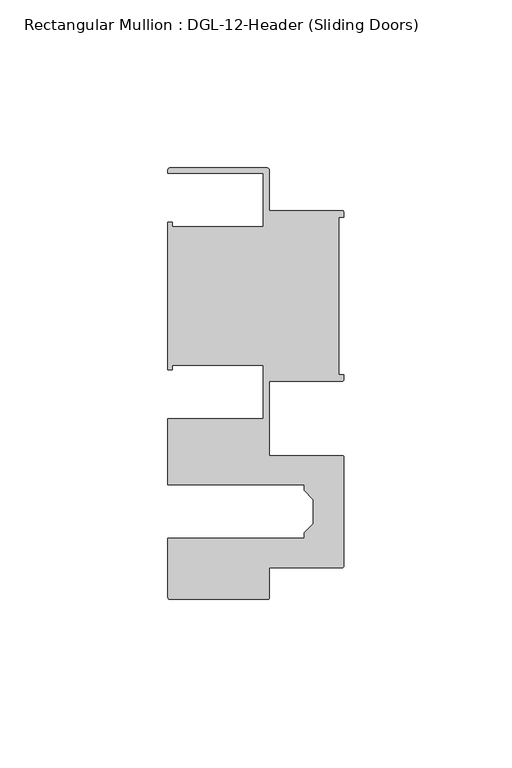
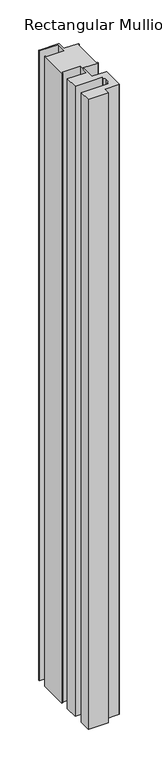
"""IFC4 building model written with IfcOpenShell, lengths in millimetres: member geometry, Rectangular Mullion : DGL-12-Header (Sliding Doors)."""

from ifc_helpers import new_model, si_unit, point, frame, frame_2d, origin, place, context, project, spatial, polyline, circle_curve, trimmed, segment, composite_curve, outline, extrude, source, transform, mapped, element, save


def rectangular_mullion_dgl_12_header_sliding_doors_77d7a6cd(model_context):
    return source(origin(), model_context, "Body", "SweptSolid", [
        extrude(outline(composite_curve([segment(trimmed(circle_curve(frame_2d((-0.5953125, 24.8046875)), 0.5953125), [point((-0.5953125, 25.4))], [point((0.0, 24.8046875))], False, "CARTESIAN"), True, "CONTINUOUS"), segment(polyline([(0.0, 24.8046875), (0.0, 23.488176), (-1.5001875, 23.488176), (-1.5001875, -23.488176), (0.0, -23.488176), (0.0, -24.8046875)]), True, "CONTINUOUS"), segment(trimmed(circle_curve(frame_2d((-0.5953125, -24.8046875)), 0.5953125), [point((0.0, -24.8046875))], [point((-0.5953125, -25.4))], False, "CARTESIAN"), True, "CONTINUOUS"), segment(polyline([(-0.5953125, -25.4), (-22.2332898, -25.4), (-22.2332898, -47.513352), (-0.60357, -47.513352)]), True, "CONTINUOUS"), segment(trimmed(circle_curve(frame_2d((-0.60357, -48.1086645)), 0.5953125), [point((-0.60357, -47.513352))], [point((-0.0082575, -48.1086645))], False, "CARTESIAN"), True, "CONTINUOUS"), segment(polyline([(-0.0082575, -48.1086645), (-0.0082575, -80.2801715)]), True, "CONTINUOUS"), segment(trimmed(circle_curve(frame_2d((-0.60357, -80.2801715)), 0.5953125), [point((-0.0082575, -80.2801715))], [point((-0.60357, -80.875484))], False, "CARTESIAN"), True, "CONTINUOUS"), segment(polyline([(-0.60357, -80.875484), (-22.2032575, -80.875484), (-22.2032575, -89.7299227)]), True, "CONTINUOUS"), segment(trimmed(circle_curve(frame_2d((-22.79857, -89.7299227)), 0.5953125), [point((-22.2032575, -89.7299227))], [point((-22.79857, -90.3252352))], False, "CARTESIAN"), True, "CONTINUOUS"), segment(polyline([(-22.79857, -90.3252352), (-51.7968699, -90.3252352)]), True, "CONTINUOUS"), segment(trimmed(circle_curve(frame_2d((-51.7968699, -89.7299227)), 0.5953125), [point((-51.7968699, -90.3252352))], [point((-52.3921824, -89.7299227))], False, "CARTESIAN"), True, "CONTINUOUS"), segment(polyline([(-52.3921824, -89.7299227), (-52.3921824, -72.175484), (-11.8582575, -72.175484), (-11.8582575, -70.4941892), (-9.1582575, -67.7941892), (-9.1582575, -60.5946468), (-11.8582575, -57.8946468), (-11.8582575, -56.213352), (-52.3921824, -56.213352), (-52.3921824, -36.512516), (-24.0747898, -36.512516), (-24.0747898, -20.5916734), (-51.1362531, -20.5916734), (-51.1362531, -21.9710976), (-52.3921824, -21.9710976), (-52.3921824, 21.9710976), (-51.1362531, 21.9710976), (-51.1362531, 20.5916734), (-24.0747898, 20.5916734), (-24.0747898, 36.512516), (-52.3921824, 36.512516), (-52.3921824, 37.5043667)]), True, "CONTINUOUS"), segment(trimmed(circle_curve(frame_2d((-51.7968699, 37.5043667)), 0.5953125), [point((-52.3921824, 37.5043667))], [point((-51.7968699, 38.0996792))], False, "CARTESIAN"), True, "CONTINUOUS"), segment(polyline([(-51.7968699, 38.0996792), (-22.8286023, 38.0996792)]), True, "CONTINUOUS"), segment(trimmed(circle_curve(frame_2d((-22.8286023, 37.5043667)), 0.5953125), [point((-22.8286023, 38.0996792))], [point((-22.2332898, 37.5043667))], False, "CARTESIAN"), True, "CONTINUOUS"), segment(polyline([(-22.2332898, 37.5043667), (-22.2332898, 25.4), (-0.5953125, 25.4)]), True, "CONTINUOUS")], self_intersect=False)), frame((0.0, 0.0, -995.0751931), z_axis=(0.0, 0.0, 1.0), x_axis=(1.0, 0.0, 0.0)), (0.0, 0.0, 1.0), 995.0751931),
    ])


if __name__ == "__main__":
    model = new_model("IFC4")
    model_context = context("Model", 3, world=origin())
    ifc_project = project(units=[si_unit("LENGTHUNIT", "METRE", prefix="MILLI")], contexts=[model_context])
    site = spatial("IfcSite", under=ifc_project)
    building = spatial("IfcBuilding", under=site)
    placement = place(None, origin())
    rectangular_mullion_dgl_12_header_sliding_doors_shape = rectangular_mullion_dgl_12_header_sliding_doors_77d7a6cd(model_context)
    element("IfcMember", 1, ObjectType="Rectangular Mullion : DGL-12-Header (Sliding Doors)", at=placement, inside=building, context=model_context, shape_type="MappedRepresentation", body=[
        mapped(rectangular_mullion_dgl_12_header_sliding_doors_shape, transform((0.0, 0.0, 0.0), x_axis=(1.0, 0.0, 0.0), y_axis=(0.0, 1.0, 0.0), z_axis=(0.0, 0.0, 1.0))),
    ])
    save(model, "model.ifc")
